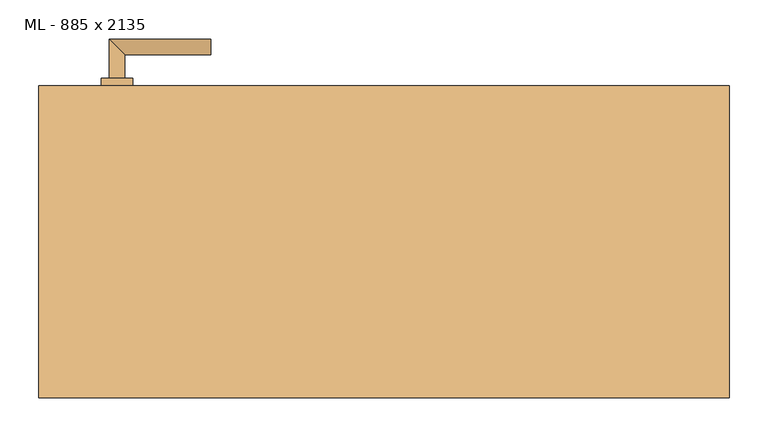
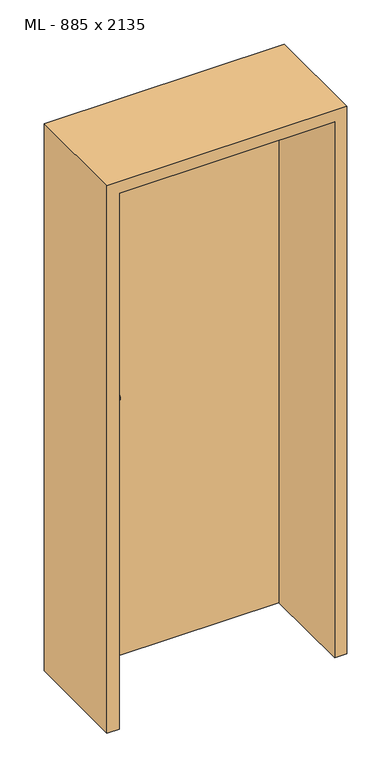
"""IFC4 building model written with IfcOpenShell, lengths in millimetres: door geometry, ML - 885 x 2135."""

from ifc_helpers import new_model, si_unit, point, frame, frame_2d, origin, origin_with_axes, place, context, project, spatial, polyline, circle_curve, ellipse_curve, trimmed, segment, composite_curve, outline, extrude, faceted_brep, source, transform, mapped, element, save
from ifc_brep_helpers import plane_surface, cylinder_surface, advanced_brep


def ml_885_x_2135_f88221ce(model_context):
    return source(origin(), model_context, "Body", "SolidModel", [
        extrude(outline(polyline([(408.5, 200.0), (408.5, 155.0), (-408.5, 155.0), (-408.5, 200.0), (408.5, 200.0)])), origin_with_axes(), (0.0, 0.0, 1.0), 2101.0),
        advanced_brep(
        [(-332.5, 210.0, 1050.0), (-352.5, 210.0, 1050.0), (-332.5, 240.0, 1050.0), (-352.5, 260.0, 1050.0), (-222.5, 240.0, 1050.0), (-222.5, 260.0, 1050.0)],
        [
            (0, 1, circle_curve(frame((-342.5, 210.0, 1050.0), z_axis=(0.0, -1.0, 0.0), x_axis=(-1.0, 0.0, 0.0)), 10.0)),
            (1, 0, circle_curve(frame((-342.5, 210.0, 1050.0), z_axis=(0.0, -1.0, 0.0), x_axis=(-1.0, 0.0, 0.0)), 10.0)),
            (0, 2),
            (2, 3, ellipse_curve(frame((-342.5, 250.0, 1050.0), z_axis=(-0.7071067811865531, -0.7071067811865419, 0.0), x_axis=(0.707106781186542, -0.707106781186553, 0.0)), 14.1421356, 10.0)),
            (3, 1),
            (3, 2, ellipse_curve(frame((-342.5, 250.0, 1050.0), z_axis=(-0.7071067811865531, -0.7071067811865419, 0.0), x_axis=(0.707106781186542, -0.707106781186553, 0.0)), 14.1421356, 10.0)),
            (4, 5, circle_curve(frame((-222.5, 250.0, 1050.0), z_axis=(1.0, 0.0, 0.0), x_axis=(0.0, 1.0, 0.0)), 10.0)),
            (5, 4, circle_curve(frame((-222.5, 250.0, 1050.0), z_axis=(1.0, 0.0, 0.0), x_axis=(0.0, 1.0, 0.0)), 10.0)),
            (2, 4),
            (5, 3),
        ],
        [
            plane_surface(frame((-342.5, 210.0, 1050.0), z_axis=(0.0, -1.0, 0.0), x_axis=(0.0, 0.0, 1.0))),
            cylinder_surface(frame((-342.5, 210.0, 1050.0), z_axis=(0.0, -1.0, 0.0), x_axis=(-1.0, 0.0, 0.0)), 10.0),
            plane_surface(frame((-222.5, 250.0, 1050.0), z_axis=(1.0, 0.0, 0.0), x_axis=(0.0, 0.0, 1.0))),
            cylinder_surface(frame((-342.5, 250.0, 1050.0), z_axis=(-1.0, 0.0, 0.0), x_axis=(0.0, 1.0, 0.0)), 10.0),
        ],
        [
            (0, [[1, 2]]),
            (1, [[-1, 3, 4, 5]]),
            (1, [[-2, -5, 6, -3]]),
            (2, [[7, 8]]),
            (3, [[-4, 9, -8, 10]]),
            (3, [[-6, -10, -7, -9]]),
        ],
    ),
        extrude(outline(composite_curve([segment(trimmed(circle_curve(frame_2d((990.0, -342.5)), 20.0), [point((990.0, -362.5))], [point((990.0, -322.5))], False, "CARTESIAN"), True, "CONTINUOUS"), segment(trimmed(circle_curve(frame_2d((990.0, -342.5)), 20.0), [point((990.0, -322.5))], [point((990.0, -362.5))], False, "CARTESIAN"), True, "CONTINUOUS")], self_intersect=False), holes=[composite_curve([segment(polyline([(976.4601385, -344.897268), (988.4749012, -344.897268)]), True, "CONTINUOUS"), segment(trimmed(circle_curve(frame_2d((995.0361633, -342.5)), 6.9854888), [point((988.4749012, -344.897268))], [point((988.4749012, -340.102732))], True, "CARTESIAN"), True, "CONTINUOUS"), segment(polyline([(988.4749012, -340.102732), (976.4601385, -340.102732)]), True, "CONTINUOUS"), segment(trimmed(circle_curve(frame_2d((976.4601385, -342.5)), 2.397268), [point((976.4601385, -340.102732))], [point((976.4601385, -344.897268))], True, "CARTESIAN"), True, "CONTINUOUS")], self_intersect=False)]), frame((0.0, 200.0, 0.0), z_axis=(0.0, 1.0, 0.0), x_axis=(0.0, 0.0, 1.0)), (0.0, 0.0, 1.0), 10.0),
        advanced_brep(
        [(-332.5, 210.0, 1050.0), (-352.5, 210.0, 1050.0), (-332.5, 240.0, 1050.0), (-352.5, 260.0, 1050.0), (-222.5, 240.0, 1050.0), (-222.5, 260.0, 1050.0)],
        [
            (0, 1, circle_curve(frame((-342.5, 210.0, 1050.0), z_axis=(0.0, -1.0, 0.0), x_axis=(-1.0, 0.0, 0.0)), 10.0)),
            (1, 0, circle_curve(frame((-342.5, 210.0, 1050.0), z_axis=(0.0, -1.0, 0.0), x_axis=(-1.0, 0.0, 0.0)), 10.0)),
            (0, 2),
            (2, 3, ellipse_curve(frame((-342.5, 250.0, 1050.0), z_axis=(-0.7071067811865537, -0.7071067811865414, 0.0), x_axis=(0.7071067811865414, -0.7071067811865536, 0.0)), 14.1421356, 10.0)),
            (3, 1),
            (3, 2, ellipse_curve(frame((-342.5, 250.0, 1050.0), z_axis=(-0.7071067811865537, -0.7071067811865414, 0.0), x_axis=(0.7071067811865414, -0.7071067811865536, 0.0)), 14.1421356, 10.0)),
            (4, 5, circle_curve(frame((-222.5, 250.0, 1050.0), z_axis=(1.0, 0.0, 0.0), x_axis=(0.0, 1.0, 0.0)), 10.0)),
            (5, 4, circle_curve(frame((-222.5, 250.0, 1050.0), z_axis=(1.0, 0.0, 0.0), x_axis=(0.0, 1.0, 0.0)), 10.0)),
            (2, 4),
            (5, 3),
        ],
        [
            plane_surface(frame((-342.5, 210.0, 1050.0), z_axis=(0.0, -1.0, 0.0), x_axis=(0.0, 0.0, 1.0))),
            cylinder_surface(frame((-342.5, 210.0, 1050.0), z_axis=(0.0, -1.0, 0.0), x_axis=(-1.0, 0.0, 0.0)), 10.0),
            plane_surface(frame((-222.5, 250.0, 1050.0), z_axis=(1.0, 0.0, 0.0), x_axis=(0.0, 0.0, 1.0))),
            cylinder_surface(frame((-342.5, 250.0, 1050.0), z_axis=(-1.0, 0.0, 0.0), x_axis=(0.0, 1.0, 0.0)), 10.0),
        ],
        [
            (0, [[1, 2]]),
            (1, [[-1, 3, 4, 5]]),
            (1, [[-2, -5, 6, -3]]),
            (2, [[7, 8]]),
            (3, [[-4, 9, -8, 10]]),
            (3, [[-6, -10, -7, -9]]),
        ],
    ),
        extrude(outline(composite_curve([segment(trimmed(circle_curve(frame_2d((1050.0, -342.5)), 20.0), [point((1050.0, -362.5))], [point((1050.0, -322.5))], False, "CARTESIAN"), True, "CONTINUOUS"), segment(trimmed(circle_curve(frame_2d((1050.0, -342.5)), 20.0), [point((1050.0, -322.5))], [point((1050.0, -362.5))], False, "CARTESIAN"), True, "CONTINUOUS")], self_intersect=False)), frame((0.0, 200.0, 0.0), z_axis=(0.0, 1.0, 0.0), x_axis=(0.0, 0.0, 1.0)), (0.0, 0.0, 1.0), 10.0),
        advanced_brep(
        [(-332.5, 145.0, 1050.0), (-352.5, 145.0, 1050.0), (-352.5, 95.0, 1050.0), (-332.5, 115.0, 1050.0), (-222.5, 115.0, 1050.0), (-222.5, 95.0, 1050.0)],
        [
            (0, 1, circle_curve(frame((-342.5, 145.0, 1050.0), z_axis=(0.0, 1.0, 0.0), x_axis=(-1.0, 0.0, 0.0)), 10.0)),
            (1, 0, circle_curve(frame((-342.5, 145.0, 1050.0), z_axis=(0.0, 1.0, 0.0), x_axis=(-1.0, 0.0, 0.0)), 10.0)),
            (1, 2),
            (2, 3, ellipse_curve(frame((-342.5, 105.0, 1050.0), z_axis=(-0.7071067811865486, 0.7071067811865464, 0.0), x_axis=(0.7071067811865464, 0.7071067811865488, 0.0)), 14.1421356, 10.0)),
            (3, 0),
            (3, 2, ellipse_curve(frame((-342.5, 105.0, 1050.0), z_axis=(-0.7071067811865486, 0.7071067811865464, 0.0), x_axis=(0.7071067811865464, 0.7071067811865488, 0.0)), 14.1421356, 10.0)),
            (4, 5, circle_curve(frame((-222.5, 105.0, 1050.0), z_axis=(1.0, 0.0, 0.0), x_axis=(0.0, -1.0, 0.0)), 10.0)),
            (5, 4, circle_curve(frame((-222.5, 105.0, 1050.0), z_axis=(1.0, 0.0, 0.0), x_axis=(0.0, -1.0, 0.0)), 10.0)),
            (2, 5),
            (4, 3),
        ],
        [
            plane_surface(frame((-342.5, 145.0, 1050.0), z_axis=(0.0, 1.0, 0.0), x_axis=(0.0, 0.0, 1.0))),
            cylinder_surface(frame((-342.5, 145.0, 1050.0), z_axis=(0.0, 1.0, 0.0), x_axis=(-1.0, 0.0, 0.0)), 10.0),
            plane_surface(frame((-222.5, 105.0, 1050.0), z_axis=(1.0, 0.0, 0.0), x_axis=(0.0, 0.0, 1.0))),
            cylinder_surface(frame((-342.5, 105.0, 1050.0), z_axis=(-1.0, 0.0, 0.0), x_axis=(0.0, -1.0, 0.0)), 10.0),
        ],
        [
            (0, [[1, 2]]),
            (1, [[3, 4, 5, -2]]),
            (1, [[-5, 6, -3, -1]]),
            (2, [[7, 8]]),
            (3, [[9, -7, 10, -4]]),
            (3, [[-10, -8, -9, -6]]),
        ],
    ),
        extrude(outline(composite_curve([segment(trimmed(circle_curve(frame_2d((990.0, -342.5)), 20.0), [point((990.0, -362.5))], [point((990.0, -322.5))], False, "CARTESIAN"), True, "CONTINUOUS"), segment(trimmed(circle_curve(frame_2d((990.0, -342.5)), 20.0), [point((990.0, -322.5))], [point((990.0, -362.5))], False, "CARTESIAN"), True, "CONTINUOUS")], self_intersect=False), holes=[composite_curve([segment(polyline([(976.4601385, -344.897268), (988.4749012, -344.897268)]), True, "CONTINUOUS"), segment(trimmed(circle_curve(frame_2d((995.0361633, -342.5)), 6.9854888), [point((988.4749012, -344.897268))], [point((988.4749012, -340.102732))], True, "CARTESIAN"), True, "CONTINUOUS"), segment(polyline([(988.4749012, -340.102732), (976.4601385, -340.102732)]), True, "CONTINUOUS"), segment(trimmed(circle_curve(frame_2d((976.4601385, -342.5)), 2.397268), [point((976.4601385, -340.102732))], [point((976.4601385, -344.897268))], True, "CARTESIAN"), True, "CONTINUOUS")], self_intersect=False)]), frame((0.0, 145.0, 0.0), z_axis=(0.0, 1.0, 0.0), x_axis=(0.0, 0.0, 1.0)), (0.0, 0.0, 1.0), 10.0),
        advanced_brep(
        [(-332.5, 145.0, 1050.0), (-352.5, 145.0, 1050.0), (-352.5, 95.0, 1050.0), (-332.5, 115.0, 1050.0), (-222.5, 115.0, 1050.0), (-222.5, 95.0, 1050.0)],
        [
            (0, 1, circle_curve(frame((-342.5, 145.0, 1050.0), z_axis=(0.0, 1.0, 0.0), x_axis=(-1.0, 0.0, 0.0)), 10.0)),
            (1, 0, circle_curve(frame((-342.5, 145.0, 1050.0), z_axis=(0.0, 1.0, 0.0), x_axis=(-1.0, 0.0, 0.0)), 10.0)),
            (1, 2),
            (2, 3, ellipse_curve(frame((-342.5, 105.0, 1050.0), z_axis=(-0.7071067811865491, 0.7071067811865459, 0.0), x_axis=(0.7071067811865458, 0.7071067811865492, 0.0)), 14.1421356, 10.0)),
            (3, 0),
            (3, 2, ellipse_curve(frame((-342.5, 105.0, 1050.0), z_axis=(-0.7071067811865491, 0.7071067811865459, 0.0), x_axis=(0.7071067811865458, 0.7071067811865492, 0.0)), 14.1421356, 10.0)),
            (4, 5, circle_curve(frame((-222.5, 105.0, 1050.0), z_axis=(1.0, 0.0, 0.0), x_axis=(0.0, -1.0, 0.0)), 10.0)),
            (5, 4, circle_curve(frame((-222.5, 105.0, 1050.0), z_axis=(1.0, 0.0, 0.0), x_axis=(0.0, -1.0, 0.0)), 10.0)),
            (2, 5),
            (4, 3),
        ],
        [
            plane_surface(frame((-342.5, 145.0, 1050.0), z_axis=(0.0, 1.0, 0.0), x_axis=(0.0, 0.0, 1.0))),
            cylinder_surface(frame((-342.5, 145.0, 1050.0), z_axis=(0.0, 1.0, 0.0), x_axis=(-1.0, 0.0, 0.0)), 10.0),
            plane_surface(frame((-222.5, 105.0, 1050.0), z_axis=(1.0, 0.0, 0.0), x_axis=(0.0, 0.0, 1.0))),
            cylinder_surface(frame((-342.5, 105.0, 1050.0), z_axis=(-1.0, 0.0, 0.0), x_axis=(0.0, -1.0, 0.0)), 10.0),
        ],
        [
            (0, [[1, 2]]),
            (1, [[3, 4, 5, -2]]),
            (1, [[-5, 6, -3, -1]]),
            (2, [[7, 8]]),
            (3, [[9, -7, 10, -4]]),
            (3, [[-10, -8, -9, -6]]),
        ],
    ),
        extrude(outline(composite_curve([segment(trimmed(circle_curve(frame_2d((1050.0, -342.5)), 20.0), [point((1050.0, -362.5))], [point((1050.0, -322.5))], False, "CARTESIAN"), True, "CONTINUOUS"), segment(trimmed(circle_curve(frame_2d((1050.0, -342.5)), 20.0), [point((1050.0, -322.5))], [point((1050.0, -362.5))], False, "CARTESIAN"), True, "CONTINUOUS")], self_intersect=False)), frame((0.0, 145.0, 0.0), z_axis=(0.0, 1.0, 0.0), x_axis=(0.0, 0.0, 1.0)), (0.0, 0.0, 1.0), 10.0),
        faceted_brep([(-412.5, 200.0, 0.0), (-412.5, 155.0, 0.0), (-397.5, 155.0, 0.0), (-397.5, -200.0, 0.0), (-442.5, -200.0, 0.0), (-442.5, 200.0, 0.0), (-412.5, 200.0, 2105.0), (-412.5, 155.0, 2105.0), (412.5, 155.0, 2105.0), (412.5, 155.0, 0.0), (397.5, 155.0, 0.0), (397.5, 155.0, 2090.0), (-397.5, 155.0, 2090.0), (-397.5, -200.0, 2090.0), (397.5, -200.0, 2090.0), (397.5, -200.0, 0.0), (442.5, -200.0, 0.0), (442.5, -200.0, 2135.0), (-442.5, -200.0, 2135.0), (-442.5, 200.0, 2135.0), (442.5, 200.0, 2135.0), (442.5, 200.0, 0.0), (412.5, 200.0, 0.0), (412.5, 200.0, 2105.0)], [[[0, 1, 2, 3, 4, 5]], [[1, 0, 6, 7]], [[2, 1, 7, 8, 9, 10, 11, 12]], [[3, 2, 12, 13]], [[4, 3, 13, 14, 15, 16, 17, 18]], [[5, 4, 18, 19]], [[0, 5, 19, 20, 21, 22, 23, 6]], [[20, 17, 16, 21]], [[22, 21, 16, 15, 10, 9]], [[8, 23, 22, 9]], [[14, 11, 10, 15]], [[19, 18, 17, 20]], [[13, 12, 11, 14]], [[7, 6, 23, 8]]]),
    ])


if __name__ == "__main__":
    model = new_model("IFC4")
    model_context = context("Model", 3, world=origin())
    ifc_project = project(units=[si_unit("LENGTHUNIT", "METRE", prefix="MILLI")], contexts=[model_context])
    site = spatial("IfcSite", under=ifc_project)
    building = spatial("IfcBuilding", under=site)
    placement = place(None, origin())
    ml_885_x_2135_shape = ml_885_x_2135_f88221ce(model_context)
    element("IfcDoor", 1, ObjectType="ML - 885 x 2135", at=placement, inside=building, context=model_context, shape_type="MappedRepresentation", body=[
        mapped(ml_885_x_2135_shape, transform((0.0, 0.0, 0.0), x_axis=(1.0, 0.0, 0.0), y_axis=(0.0, 1.0, 0.0), z_axis=(0.0, 0.0, 1.0))),
    ])
    save(model, "model.ifc")
